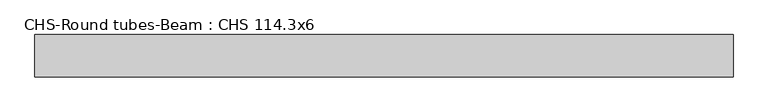
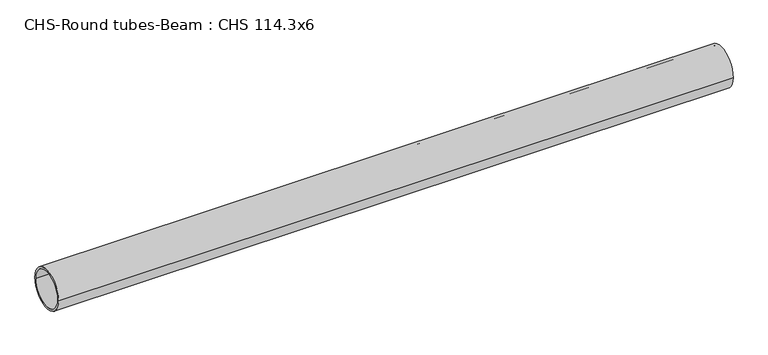
"""IFC4 building model written with IfcOpenShell, lengths in millimetres: beam geometry, CHS-Round tubes-Beam : CHS 114.3x6."""

from ifc_helpers import new_model, si_unit, point, frame, origin, origin_2d, place, context, project, spatial, circle_curve, trimmed, segment, composite_curve, outline, extrude, source, transform, mapped, element, save


def chs_round_tubes_beam_chs_114_3x6_82d166e2(model_context):
    return source(origin(), model_context, "Body", "SweptSolid", [
        extrude(outline(composite_curve([segment(trimmed(circle_curve(origin_2d(), 57.15), [point((57.15, 0.0))], [point((-57.15, 0.0))], False, "CARTESIAN"), True, "CONTINUOUS"), segment(trimmed(circle_curve(origin_2d(), 57.15), [point((-57.15, 0.0))], [point((57.15, 0.0))], False, "CARTESIAN"), True, "CONTINUOUS")], self_intersect=False), holes=[composite_curve([segment(trimmed(circle_curve(origin_2d(), 51.15), [point((51.15, 0.0))], [point((-51.15, 0.0))], True, "CARTESIAN"), True, "CONTINUOUS"), segment(trimmed(circle_curve(origin_2d(), 51.15), [point((-51.15, 0.0))], [point((51.15, 0.0))], True, "CARTESIAN"), True, "CONTINUOUS")], self_intersect=False)]), frame((-948.8560489, 0.0, 0.0), z_axis=(1.0, 0.0, 0.0), x_axis=(0.0, 1.0, 0.0)), (0.0, 0.0, 1.0), 1888.5210998),
    ])


if __name__ == "__main__":
    model = new_model("IFC4")
    model_context = context("Model", 3, world=origin())
    ifc_project = project(units=[si_unit("LENGTHUNIT", "METRE", prefix="MILLI")], contexts=[model_context])
    site = spatial("IfcSite", under=ifc_project)
    building = spatial("IfcBuilding", under=site)
    placement = place(None, origin())
    chs_round_tubes_beam_chs_114_3x6_shape = chs_round_tubes_beam_chs_114_3x6_82d166e2(model_context)
    element("IfcBeam", 1, ObjectType="CHS-Round tubes-Beam : CHS 114.3x6", at=placement, inside=building, context=model_context, shape_type="MappedRepresentation", body=[
        mapped(chs_round_tubes_beam_chs_114_3x6_shape, transform((0.0, 0.0, 0.0), x_axis=(1.0, 0.0, 0.0), y_axis=(0.0, 1.0, 0.0), z_axis=(0.0, 0.0, 1.0))),
    ])
    save(model, "model.ifc")
